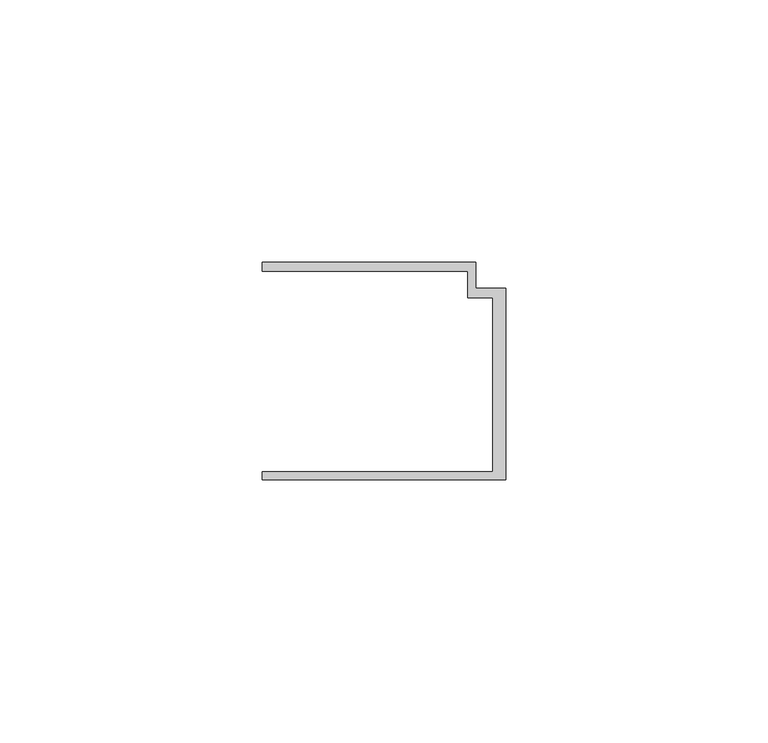
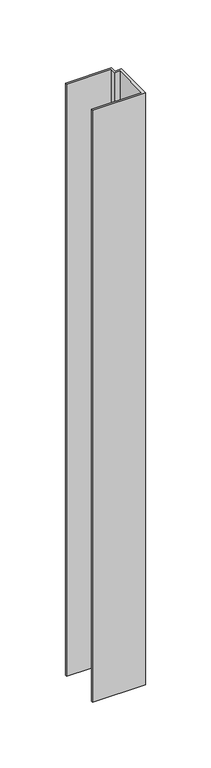
"""IFC4 building model written with IfcOpenShell, lengths in millimetres: member geometry."""

from ifc_helpers import new_model, si_unit, frame, origin, place, context, project, spatial, polyline, outline, extrude, source, transform, mapped, element, save


def member_3c1d04c5(model_context):
    return source(origin(), model_context, "Body", "SweptSolid", [
        extrude(outline(polyline([(-46.3, -19.2), (-2.4, -19.2), (-2.4, 14.0), (-7.2, 14.0), (-7.2, 19.0), (-46.3, 19.0), (-46.3, 20.7), (-5.6999992, 20.7), (-5.6999992, 15.8), (0.0, 15.8), (0.0, -20.7), (-46.3, -20.7), (-46.3, -19.2)])), frame((0.0, 0.0, -550.3602632), z_axis=(0.0, 0.0, 1.0), x_axis=(1.0, 0.0, 0.0)), (0.0, 0.0, 1.0), 550.3602632),
    ])


if __name__ == "__main__":
    model = new_model("IFC4")
    model_context = context("Model", 3, world=origin())
    ifc_project = project(units=[si_unit("LENGTHUNIT", "METRE", prefix="MILLI")], contexts=[model_context])
    site = spatial("IfcSite", under=ifc_project)
    building = spatial("IfcBuilding", under=site)
    placement = place(None, origin())
    member_shape = member_3c1d04c5(model_context)
    element("IfcMember", 1, at=placement, inside=building, context=model_context, shape_type="MappedRepresentation", body=[
        mapped(member_shape, transform((0.0, 0.0, 0.0), x_axis=(1.0, 0.0, 0.0), y_axis=(0.0, 1.0, 0.0), z_axis=(0.0, 0.0, 1.0))),
    ])
    save(model, "model.ifc")
